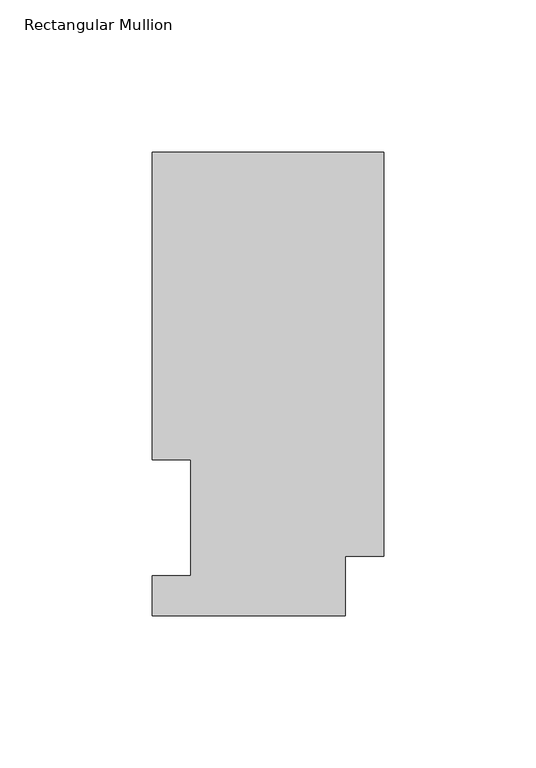
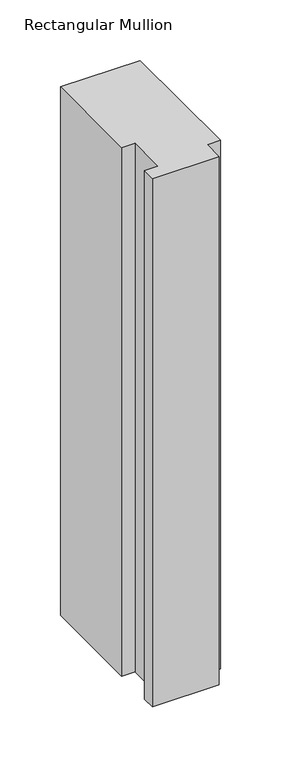
"""IFC4 building model written with IfcOpenShell, lengths in millimetres: member geometry, Rectangular Mullion."""

from ifc_helpers import new_model, si_unit, frame, origin, place, context, project, spatial, polyline, outline, extrude, source, transform, mapped, element, save


def rectangular_mullion_f1dfcf61(model_context):
    return source(origin(), model_context, "Body", "SweptSolid", [
        extrude(outline(polyline([(-76.2, 13.1960938), (-63.5127, 13.1960938), (-63.5127, 51.2960938), (-76.2, 51.2960938), (-76.2, 152.4896938), (0.0, 152.4896938), (0.0, 19.5460937), (-12.7, 19.5460937), (-12.7, 0.0134938), (-76.2, 0.0134938), (-76.2, 13.1960938)])), frame((0.0, 0.0, -533.4134938), z_axis=(0.0, 0.0, 1.0), x_axis=(1.0, 0.0, 0.0)), (0.0, 0.0, 1.0), 533.4134938),
    ])


if __name__ == "__main__":
    model = new_model("IFC4")
    model_context = context("Model", 3, world=origin())
    ifc_project = project(units=[si_unit("LENGTHUNIT", "METRE", prefix="MILLI")], contexts=[model_context])
    site = spatial("IfcSite", under=ifc_project)
    building = spatial("IfcBuilding", under=site)
    placement = place(None, origin())
    rectangular_mullion_shape = rectangular_mullion_f1dfcf61(model_context)
    element("IfcMember", 1, ObjectType="Rectangular Mullion", at=placement, inside=building, context=model_context, shape_type="MappedRepresentation", body=[
        mapped(rectangular_mullion_shape, transform((0.0, 0.0, 0.0), x_axis=(1.0, 0.0, 0.0), y_axis=(0.0, 1.0, 0.0), z_axis=(0.0, 0.0, 1.0))),
    ])
    save(model, "model.ifc")
